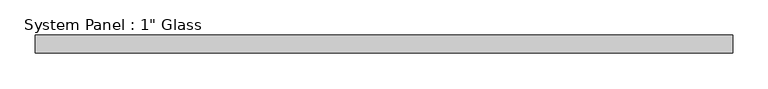
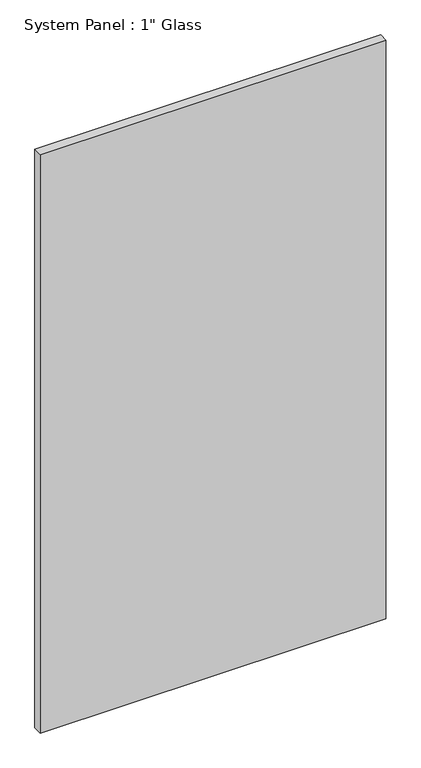
"""IFC4 building model written with IfcOpenShell, lengths in millimetres: plate geometry."""

from ifc_helpers import new_model, si_unit, origin, origin_with_axes, place, context, project, spatial, polyline, outline, extrude, source, transform, mapped, element, save


def plate_1f4eece4(model_context):
    return source(origin(), model_context, "Body", "SweptSolid", [
        extrude(outline(polyline([(491.6342872, -12.7), (-491.6342872, -12.7), (-491.6342872, 12.7), (491.6342872, 12.7), (491.6342872, -12.7)])), origin_with_axes(), (0.0, 0.0, 1.0), 1739.9),
    ])


if __name__ == "__main__":
    model = new_model("IFC4")
    model_context = context("Model", 3, world=origin())
    ifc_project = project(units=[si_unit("LENGTHUNIT", "METRE", prefix="MILLI")], contexts=[model_context])
    site = spatial("IfcSite", under=ifc_project)
    building = spatial("IfcBuilding", under=site)
    placement = place(None, origin())
    plate_shape = plate_1f4eece4(model_context)
    element("IfcPlate", 1, ObjectType="System Panel : 1\" Glass", at=placement, inside=building, context=model_context, shape_type="MappedRepresentation", body=[
        mapped(plate_shape, transform((0.0, 0.0, 0.0), x_axis=(1.0, 0.0, 0.0), y_axis=(0.0, 1.0, 0.0), z_axis=(0.0, 0.0, 1.0))),
    ])
    save(model, "model.ifc")
